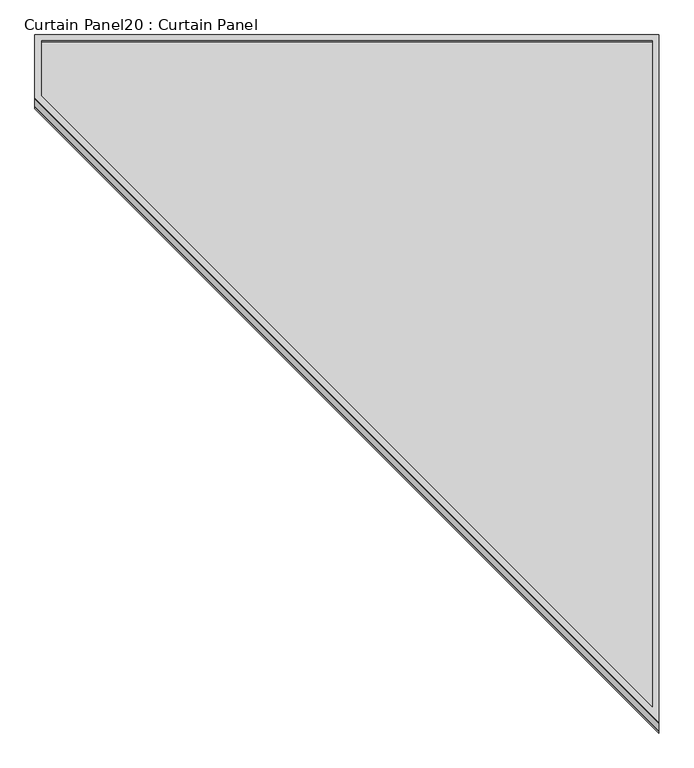
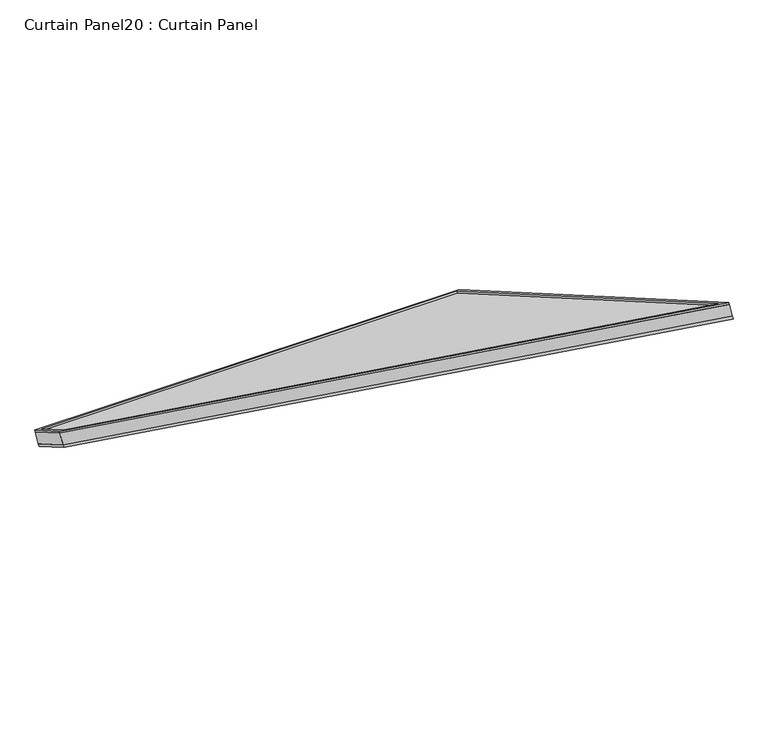
"""IFC4 building model written with IfcOpenShell, lengths in millimetres: plate geometry, Curtain Panel20 : Curtain Panel."""

from ifc_helpers import new_model, si_unit, frame, origin, place, context, project, spatial, polyline, outline, extrude, source, transform, mapped, element, save


def curtain_panel20_curtain_panel_17f84d64(model_context):
    return source(origin(), model_context, "Body", "SweptSolid", [
        extrude(outline(polyline([(1482.7525725, -12.7), (-34.0642673, -12.7), (1344.4172355, 1181.1), (1482.7525725, 1181.1), (1482.7525725, -12.7)]), holes=[polyline([(1470.0525725, 1168.4), (1349.152109, 1168.4), (0.0, 0.0), (1470.0525725, 0.0), (1470.0525725, 1168.4)])]), frame((-9578.9692107, 9813.0877657, 1341.5197448), z_axis=(0.0, 0.5000000000000001, 0.8660254037844387), x_axis=(0.0, 0.8660254037844387, -0.5000000000000001)), (0.0, 0.0, 1.0), 4.742211),
        extrude(outline(polyline([(1482.7525725, -12.7), (-34.0642673, -12.7), (1344.4172355, 1181.1), (1482.7525725, 1181.1), (1482.7525725, -12.7)]), holes=[polyline([(1470.0525724, 1168.4), (1349.152109, 1168.4), (0.0, 0.0), (1470.0525724, 0.0), (1470.0525724, 1168.4)])]), frame((-9578.9692107, 9794.6474504, 1309.5801818), z_axis=(0.0, 0.49999999999999933, 0.8660254037844392), x_axis=(0.0, 0.8660254037844392, -0.49999999999999933)), (0.0, 0.0, 1.0), 6.7181306),
        extrude(outline(polyline([(12.7, 0.0), (1206.5, 0.0), (1206.5, -1516.8168397), (12.7, -138.335337), (12.7, 0.0)])), frame((-10772.7692107, 11082.107911, 574.0219674), z_axis=(0.0, 0.49999999999999867, 0.8660254037844395), x_axis=(1.0, 0.0, 0.0)), (0.0, 0.0, 1.0), 30.1625),
    ])


if __name__ == "__main__":
    model = new_model("IFC4")
    model_context = context("Model", 3, world=origin())
    ifc_project = project(units=[si_unit("LENGTHUNIT", "METRE", prefix="MILLI")], contexts=[model_context])
    site = spatial("IfcSite", under=ifc_project)
    building = spatial("IfcBuilding", under=site)
    placement = place(None, origin())
    curtain_panel20_curtain_panel_shape = curtain_panel20_curtain_panel_17f84d64(model_context)
    element("IfcPlate", 1, ObjectType="Curtain Panel20 : Curtain Panel", at=placement, inside=building, context=model_context, shape_type="MappedRepresentation", body=[
        mapped(curtain_panel20_curtain_panel_shape, transform((0.0, 0.0, 0.0), x_axis=(1.0, 0.0, 0.0), y_axis=(0.0, 1.0, 0.0), z_axis=(0.0, 0.0, 1.0))),
    ])
    save(model, "model.ifc")
